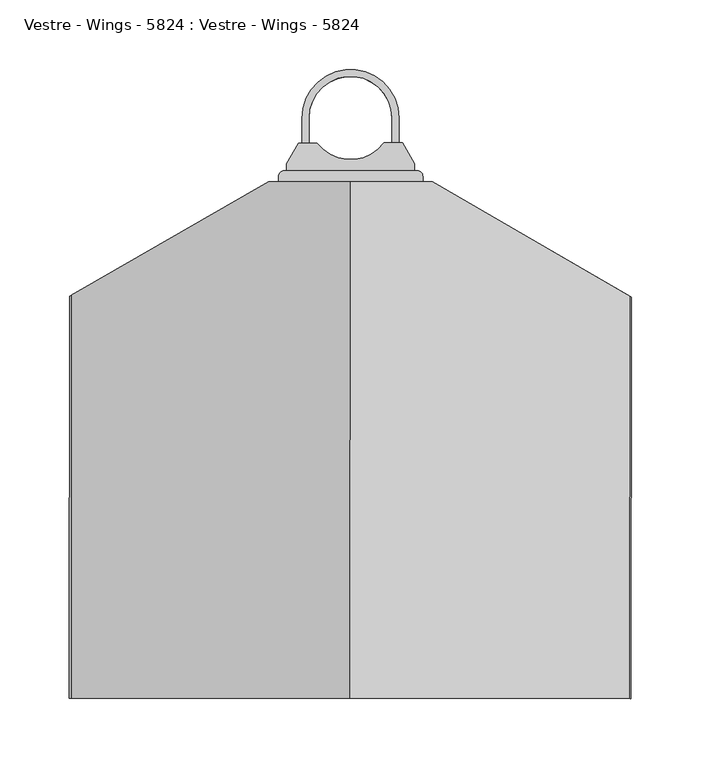
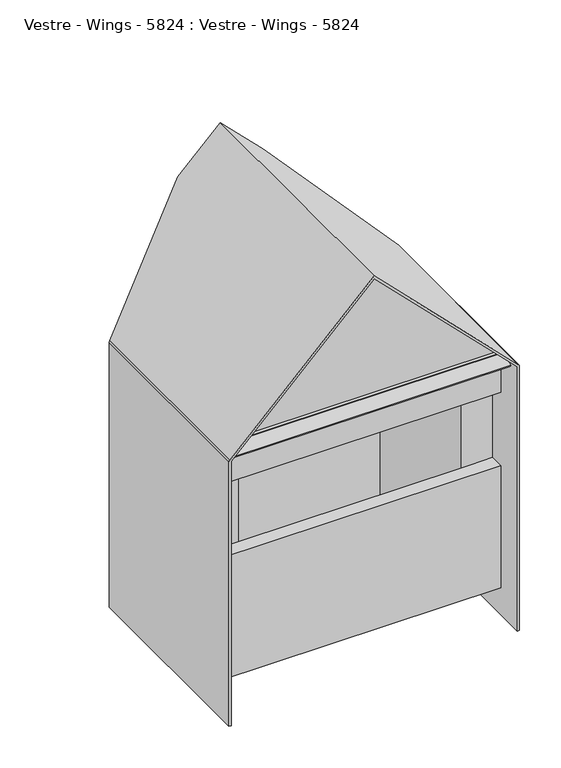
"""IFC4 building model written with IfcOpenShell, lengths in millimetres: furniture geometry, Vestre - Wings - 5824 : Vestre - Wings - 5824."""

from ifc_helpers import new_model, si_unit, point, frame, frame_2d, origin, origin_2d, place, context, project, spatial, polyline, circle_curve, ellipse_curve, trimmed, segment, composite_curve, outline, extrude, faceted_brep, source, transform, mapped, element, save
from ifc_brep_helpers import plane_surface, cylinder_surface, advanced_brep


def vestre_wings_5824_vestre_wings_5824_f4bae78b(model_context):
    return source(origin(), model_context, "Body", "SolidModel", [
        extrude(outline(composite_curve([segment(polyline([(37.4984951, -17.8822636), (46.075254, -32.8626938), (46.0866854, -37.8626807), (-45.9130741, -38.0730192), (-45.9245056, -33.0730323), (-37.4163353, -18.0535409), (-23.982862, -18.022828)]), True, "CONTINUOUS"), segment(trimmed(circle_curve(origin_2d(), 30.0), [point((-23.982862, -18.022828))], [point((24.0650218, -17.9129764))], True, "CARTESIAN"), True, "CONTINUOUS"), segment(polyline([(24.0650218, -17.9129764), (37.4984951, -17.8822636)]), True, "CONTINUOUS")], self_intersect=False)), frame((0.0, 0.0, 24.4993781), z_axis=(0.0, 0.0, 1.0), x_axis=(1.0, 0.0, 0.0)), (0.0, 0.0, 1.0), 16.0),
        extrude(outline(composite_curve([segment(polyline([(-29.9999216, -0.0685886), (-29.9131159, -38.0364386), (-34.9131029, -38.04787), (-34.9999085, -0.0800201)]), True, "CONTINUOUS"), segment(trimmed(circle_curve(origin_2d(), 35.0), [point((-34.9999085, -0.0800201))], [point((34.9999085, 0.0800201))], False, "CARTESIAN"), True, "CONTINUOUS"), segment(polyline([(34.9999085, 0.0800201), (35.0867142, -37.8878299), (30.0867273, -37.8992613), (29.9999216, 0.0685886)]), True, "CONTINUOUS"), segment(trimmed(circle_curve(origin_2d(), 30.0), [point((29.9999216, 0.0685886))], [point((-29.9999216, -0.0685886))], True, "CARTESIAN"), True, "CONTINUOUS")], self_intersect=False)), frame((0.0, 0.0, 28.4989484), z_axis=(0.0, 0.0, 1.0), x_axis=(1.0, 0.0, 0.0)), (0.0, 0.0, 1.0), 7.9898167),
        extrude(outline(composite_curve([segment(polyline([(-47.9130689, -38.0775918), (48.0866802, -37.8581081)]), True, "CONTINUOUS"), segment(trimmed(circle_curve(frame_2d((48.0958254, -41.8580977)), 4.0), [point((48.0866802, -37.8581081))], [point((52.0958149, -41.8489525))], False, "CARTESIAN"), True, "CONTINUOUS"), segment(polyline([(52.0958149, -41.8489525), (52.1078638, -47.1190207), (-51.8918644, -47.3567946), (-51.9039133, -42.0867265)]), True, "CONTINUOUS"), segment(trimmed(circle_curve(frame_2d((-47.9039237, -42.0775813)), 4.0), [point((-51.9039133, -42.0867265))], [point((-47.9130689, -38.0775918))], False, "CARTESIAN"), True, "CONTINUOUS")], self_intersect=False)), frame((0.0, 0.0, 7.4993781), z_axis=(0.0, 0.0, 1.0), x_axis=(1.0, 0.0, 0.0)), (0.0, 0.0, 1.0), 60.0),
        extrude(outline(composite_curve([segment(polyline([(37.4984951, -17.8822636), (46.075254, -32.8626938), (46.0866854, -37.8626807), (-45.9130741, -38.0730192), (-45.9245056, -33.0730323), (-37.4163353, -18.0535409), (-23.982862, -18.022828)]), True, "CONTINUOUS"), segment(trimmed(circle_curve(origin_2d(), 30.0), [point((-23.982862, -18.022828))], [point((24.0650218, -17.9129764))], True, "CARTESIAN"), True, "CONTINUOUS"), segment(polyline([(24.0650218, -17.9129764), (37.4984951, -17.8822636)]), True, "CONTINUOUS")], self_intersect=False)), frame((0.0, 0.0, 379.4993781), z_axis=(0.0, 0.0, 1.0), x_axis=(1.0, 0.0, 0.0)), (0.0, 0.0, 1.0), 16.0),
        extrude(outline(composite_curve([segment(polyline([(-29.9999216, -0.0685886), (-29.9131159, -38.0364386), (-34.9131029, -38.04787), (-34.9999085, -0.0800201)]), True, "CONTINUOUS"), segment(trimmed(circle_curve(origin_2d(), 35.0), [point((-34.9999085, -0.0800201))], [point((34.9999085, 0.0800201))], False, "CARTESIAN"), True, "CONTINUOUS"), segment(polyline([(34.9999085, 0.0800201), (35.0867142, -37.8878299), (30.0867273, -37.8992613), (29.9999216, 0.0685886)]), True, "CONTINUOUS"), segment(trimmed(circle_curve(origin_2d(), 30.0), [point((29.9999216, 0.0685886))], [point((-29.9999216, -0.0685886))], True, "CARTESIAN"), True, "CONTINUOUS")], self_intersect=False)), frame((0.0, 0.0, 383.4989484), z_axis=(0.0, 0.0, 1.0), x_axis=(1.0, 0.0, 0.0)), (0.0, 0.0, 1.0), 7.9898167),
        extrude(outline(composite_curve([segment(polyline([(-47.9130689, -38.0775918), (48.0866802, -37.8581081)]), True, "CONTINUOUS"), segment(trimmed(circle_curve(frame_2d((48.0958254, -41.8580977)), 4.0), [point((48.0866802, -37.8581081))], [point((52.0958149, -41.8489525))], False, "CARTESIAN"), True, "CONTINUOUS"), segment(polyline([(52.0958149, -41.8489525), (52.1078638, -47.1190207), (-51.8918644, -47.3567946), (-51.9039133, -42.0867265)]), True, "CONTINUOUS"), segment(trimmed(circle_curve(frame_2d((-47.9039237, -42.0775813)), 4.0), [point((-51.9039133, -42.0867265))], [point((-47.9130689, -38.0775918))], False, "CARTESIAN"), True, "CONTINUOUS")], self_intersect=False)), frame((0.0, 0.0, 347.4993781), z_axis=(0.0, 0.0, 1.0), x_axis=(1.0, 0.0, 0.0)), (0.0, 0.0, 1.0), 60.0),
        extrude(outline(composite_curve([segment(polyline([(2.0000001, 0.0), (2.0, -20.0000001), (6.1732692, -31.4659628), (4.293884, -32.1500031), (0.1809222, -20.8497335)]), True, "CONTINUOUS"), segment(trimmed(circle_curve(frame_2d((3.0, -19.8236731)), 3.0), [point((0.1809222, -20.8497335))], [point((0.0, -19.823673))], False, "CARTESIAN"), True, "CONTINUOUS"), segment(polyline([(0.0, -19.823673), (0.0, 0.0), (2.0000001, 0.0)]), True, "CONTINUOUS")], self_intersect=False)), frame((199.1488304, -403.0492392, 383.0389824), z_axis=(-0.999999621614204, 0.0008699261168664608, 0.0), x_axis=(0.00029753225517339943, 0.3420200139100953, -0.9396926207859119)), (0.0, 0.0, 1.0), 398.8082246),
        faceted_brep([(-199.4335167, -143.224511, 390.0), (-0.0294798, -143.3979778, 589.4041123), (199.374557, -143.5714447, 390.0), (199.374557, -143.5714447, 40.0), (-199.4335167, -143.224511, 40.0), (-199.6379493, -378.224422, 40.0), (199.1701244, -378.5713557, 40.0), (199.1701244, -378.5713557, 220.0), (-199.6379493, -378.224422, 220.0), (199.1701244, -378.5713557, 390.0), (-0.2339125, -378.3978889, 589.4041123), (-199.6379493, -378.224422, 390.0), (-199.6379493, -378.224422, 328.0), (199.1701244, -378.5713557, 328.0), (199.1875229, -358.5713633, 328.0), (199.1875229, -358.5713633, 220.0), (-199.6205508, -358.2244296, 220.0), (-199.6205508, -358.2244296, 328.0), (154.6881616, -358.5326521, 328.0), (154.6881616, -358.5326521, 220.0), (-155.3117211, -358.262975, 220.0), (-155.3117211, -358.262975, 328.0), (154.8577972, -163.5327259, 368.0), (-155.1420855, -163.2630488, 368.0), (-155.1420855, -163.2630488, 60.0), (154.8577972, -163.5327259, 60.0), (154.6881616, -358.5326521, 60.0), (-155.3117211, -358.262975, 60.0), (-155.3117211, -358.262975, 368.0), (154.6881616, -358.5326521, 368.0)], [[[0, 1, 2, 3, 4]], [[5, 6, 7, 8]], [[9, 10, 11, 12, 13]], [[1, 0, 11, 10]], [[2, 1, 10, 9]], [[3, 2, 9, 13, 14, 15, 7, 6]], [[4, 3, 6, 5]], [[0, 4, 5, 8, 16, 17, 12, 11]], [[15, 14, 18, 19]], [[17, 16, 20, 21]], [[8, 7, 15, 19, 20, 16]], [[13, 12, 17, 21, 18, 14]], [[22, 23, 24, 25]], [[26, 27, 20, 19]], [[28, 29, 18, 21]], [[22, 25, 26, 19, 18, 29]], [[25, 24, 27, 26]], [[24, 23, 28, 21, 20, 27]], [[23, 22, 29, 28]]]),
        advanced_brep(
        [(0.0552492, -46.0000655, 593.646753), (59.0317578, -46.0513707, 534.6702221), (59.0317578, -46.0513707, 530.4275814), (0.0552492, -46.0000655, 589.4041123), (-59.111791, -45.9485945, 530.2370497), (-59.111791, -45.9485945, 534.4796904), (-0.2683633, -417.9999247, 593.646753), (-201.5008266, -417.8248673, 392.4142136), (-202.672399, -417.8238481, 389.5857864), (-202.672399, -417.8238481, 0.0), (-199.6724002, -417.8264579, 0.0), (-199.6724002, -417.8264579, 390.0), (-0.2683633, -417.9999247, 589.4041123), (199.1356735, -418.1733916, 390.0), (199.1356735, -418.1733916, 0.0), (202.1356724, -418.1760013, 0.0), (202.1356724, -418.1760013, 389.5857864), (200.9641, -418.1749822, 392.4142136), (201.2162641, -128.3066366, 392.4142136), (202.3872481, -128.9840635, 389.5857864), (202.3872481, -128.9840635, 0.0), (199.388756, -127.2494035, 0.0), (199.388756, -127.2494035, 390.0), (-199.419222, -126.7924664, 390.0), (-199.419222, -126.7924664, 0.0), (-202.4207276, -128.5219067, 0.0), (-202.4207276, -128.5219067, 389.5857864), (-201.2485668, -127.8465183, 392.4142136)],
        [
            (0, 1),
            (1, 2),
            (2, 3),
            (3, 4),
            (4, 5),
            (5, 0),
            (6, 7),
            (7, 8, circle_curve(frame((-198.6724005, -417.8273278, 389.5857864), z_axis=(-0.0008699261168683692, -0.9999996216142041, 0.0), x_axis=(0.9999996216142041, -0.0008699261168683692, 0.0)), 4.0)),
            (8, 9),
            (9, 10),
            (10, 11),
            (11, 12),
            (12, 13),
            (13, 14),
            (14, 15),
            (15, 16),
            (16, 17, circle_curve(frame((198.1356739, -418.1725216, 389.5857864), z_axis=(-0.0008699261168683692, -0.9999996216142041, 0.0), x_axis=(0.9999996216142041, -0.0008699261168683692, 0.0)), 4.0)),
            (17, 6),
            (17, 18),
            (18, 1),
            (0, 6),
            (16, 19),
            (19, 18, ellipse_curve(frame((198.3892586, -126.6711836, 389.5857864), z_axis=(-0.5007531889237176, -0.8655901130342974, 0.0), x_axis=(-0.8655901130342977, 0.5007531889237172, 0.0)), 4.6188022, 4.0)),
            (15, 20),
            (20, 19),
            (14, 21),
            (21, 20),
            (13, 22),
            (22, 21),
            (12, 3),
            (2, 22),
            (11, 23),
            (23, 4),
            (10, 24),
            (24, 23),
            (9, 25),
            (25, 24),
            (8, 26),
            (26, 25),
            (7, 27),
            (27, 26, ellipse_curve(frame((-198.4187201, -126.2159862, 389.5857864), z_axis=(0.49924643269047675, -0.8664600391511621, 0.0), x_axis=(0.8664600391511621, 0.49924643269047675, 0.0)), 4.6188022, 4.0)),
            (5, 27),
        ],
        [
            plane_surface(frame((201.2877125, -46.1751229, 392.4142136), z_axis=(0.0008699261168683946, 0.9999996216142042, 0.0), x_axis=(0.707106513627383, -0.0006151306563689228, -0.7071067811865499))),
            plane_surface(frame((200.9641, -418.1749822, 392.4142136), z_axis=(-0.0008699261168683946, -0.9999996216142042, 0.0), x_axis=(-0.707106513627383, 0.0006151306563689228, 0.7071067811865499))),
            plane_surface(frame((0.0552492, -46.0000655, 593.646753), z_axis=(0.7071065136273876, -0.0006151306563689463, 0.7071067811865451), x_axis=(-0.0008699261168684247, -0.999999621614204, 0.0))),
            cylinder_surface(frame((198.1356739, -418.1725216, 389.5857864), z_axis=(0.0008699261168683692, 0.9999996216142041, 0.0), x_axis=(0.9999996216142041, -0.0008699261168683692, 0.0)), 4.0),
            plane_surface(frame((202.4592849, -46.1761421, 389.5857864), z_axis=(0.999999621614204, -0.0008699261168684247, 0.0), x_axis=(-0.0008699261168684247, -0.999999621614204, 0.0))),
            plane_surface(frame((202.4592849, -46.1761421, 0.0), z_axis=(0.0, 0.0, -1.0), x_axis=(-0.0008699261168684247, -0.999999621614204, 0.0))),
            plane_surface(frame((199.459286, -46.1735323, 0.0), z_axis=(-0.999999621614204, 0.0008699261168684247, 0.0), x_axis=(-0.0008699261168684247, -0.999999621614204, 0.0))),
            plane_surface(frame((199.459286, -46.1735323, 390.0), z_axis=(-0.7071065136273882, 0.0006151306563688681, -0.707106781186545), x_axis=(-0.0008699261168683137, -0.9999996216142041, 0.0))),
            plane_surface(frame((0.0552492, -46.0000655, 589.4041123), z_axis=(0.7071065136273894, -0.0006151306563689478, -0.7071067811865434), x_axis=(-0.0008699261168684247, -0.999999621614204, 0.0))),
            plane_surface(frame((-199.3487876, -45.8265986, 390.0), z_axis=(0.999999621614204, -0.0008699261168684247, 0.0), x_axis=(-0.0008699261168684247, -0.999999621614204, 0.0))),
            plane_surface(frame((-199.3487876, -45.8265986, 0.0), z_axis=(0.0, 0.0, -1.0), x_axis=(-0.0008699261168684247, -0.999999621614204, 0.0))),
            plane_surface(frame((-202.3487865, -45.8239888, 0.0), z_axis=(-0.999999621614204, 0.0008699261168684247, 0.0), x_axis=(-0.0008699261168684247, -0.999999621614204, 0.0))),
            cylinder_surface(frame((-198.6724005, -417.8273278, 389.5857864), z_axis=(0.0008699261168683692, 0.9999996216142041, 0.0), x_axis=(0.9999996216142041, -0.0008699261168683692, 0.0)), 4.0),
            plane_surface(frame((-201.1772141, -45.825008, 392.4142136), z_axis=(-0.7071065136273894, 0.0006151306563689478, 0.7071067811865436), x_axis=(-0.0008699261168684247, -0.999999621614204, 0.0))),
            plane_surface(frame((-222.2474777, -139.9459007, 602.7903125), z_axis=(-0.49924643269047675, 0.8664600391511621, 0.0), x_axis=(0.0, 0.0, -1.0))),
            plane_surface(frame((59.0317578, -46.0513707, 602.7903125), z_axis=(0.5007531889237176, 0.8655901130342974, 0.0), x_axis=(0.0, 0.0, -1.0))),
        ],
        [
            (0, [[1, 2, 3, 4, 5, 6]]),
            (1, [[7, 8, 9, 10, 11, 12, 13, 14, 15, 16, 17, 18]]),
            (2, [[-18, 19, 20, -1, 21]]),
            (3, [[-17, 22, 23, -19]]),
            (4, [[-16, 24, 25, -22]]),
            (5, [[-15, 26, 27, -24]]),
            (6, [[-14, 28, 29, -26]]),
            (7, [[-13, 30, -3, 31, -28]]),
            (8, [[-12, 32, 33, -4, -30]]),
            (9, [[-11, 34, 35, -32]]),
            (10, [[-10, 36, 37, -34]]),
            (11, [[-9, 38, 39, -36]]),
            (12, [[-8, 40, 41, -38]]),
            (13, [[-7, -21, -6, 42, -40]]),
            (14, [[-5, -33, -35, -37, -39, -41, -42]]),
            (15, [[-2, -20, -23, -25, -27, -29, -31]]),
        ],
    ),
        faceted_brep([(-51.852945, -49.9549107, 537.4993781), (51.956484, -50.0452172, 537.4993781), (51.9590938, -47.0452184, 537.4993781), (-51.8503352, -46.9549118, 537.4993781), (-196.4207299, -128.5271263, 2.4993781), (-196.4320389, -141.5271214, 2.4993781), (-199.4320378, -141.5245116, 2.4993781), (-199.419222, -126.7924664, 2.4993781), (-60.8447111, -46.9470874, 2.4993781), (60.762938, -47.0528771, 2.4993781), (199.388756, -127.2494035, 2.4993781), (199.3760359, -141.8714453, 2.4993781), (196.1855054, -141.8686698, 2.4993781), (196.1968145, -128.8686747, 2.4993781), (59.956481, -50.0521766, 2.4993781), (-60.0434736, -49.9477855, 2.4993781), (-60.0434736, -49.9477855, 529.3088465), (-196.4207299, -128.5271263, 393.0), (59.956481, -50.0521766, 529.4993781), (196.1968145, -128.8686747, 393.1905317), (196.1855054, -141.8686698, 393.1905317), (199.3760359, -141.8714453, 390.0), (199.388756, -127.2494035, 390.0), (60.762938, -47.0528771, 528.6955306), (-60.8447111, -46.9470874, 528.5049989), (-199.419222, -126.7924664, 390.0), (-199.4320378, -141.5245116, 390.0), (-196.4320389, -141.5271214, 393.0)], [[[0, 1, 2, 3]], [[4, 5, 6, 7, 8, 9, 10, 11, 12, 13, 14, 15]], [[4, 15, 16, 17]], [[15, 14, 18, 1, 0, 16]], [[14, 13, 19, 18]], [[13, 12, 20, 19]], [[12, 11, 21, 20]], [[11, 10, 22, 21]], [[10, 9, 23, 22]], [[9, 8, 24, 3, 2, 23]], [[8, 7, 25, 24]], [[7, 6, 26, 25]], [[6, 5, 27, 26]], [[5, 4, 17, 27]], [[2, 1, 18, 19, 20, 21, 22, 23]], [[0, 3, 24, 25, 26, 27, 17, 16]]]),
    ])


if __name__ == "__main__":
    model = new_model("IFC4")
    model_context = context("Model", 3, world=origin())
    ifc_project = project(units=[si_unit("LENGTHUNIT", "METRE", prefix="MILLI")], contexts=[model_context])
    site = spatial("IfcSite", under=ifc_project)
    building = spatial("IfcBuilding", under=site)
    placement = place(None, origin())
    vestre_wings_5824_vestre_wings_5824_shape = vestre_wings_5824_vestre_wings_5824_f4bae78b(model_context)
    element("IfcFurniture", 1, ObjectType="Vestre - Wings - 5824 : Vestre - Wings - 5824", at=placement, inside=building, context=model_context, shape_type="MappedRepresentation", body=[
        mapped(vestre_wings_5824_vestre_wings_5824_shape, transform((0.0, 0.0, 0.0), x_axis=(1.0, 0.0, 0.0), y_axis=(0.0, 1.0, 0.0), z_axis=(0.0, 0.0, 1.0))),
    ])
    save(model, "model.ifc")
